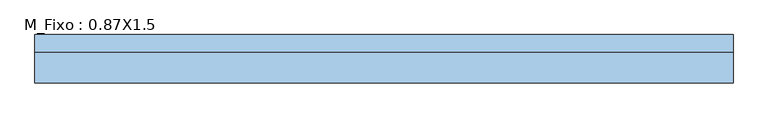
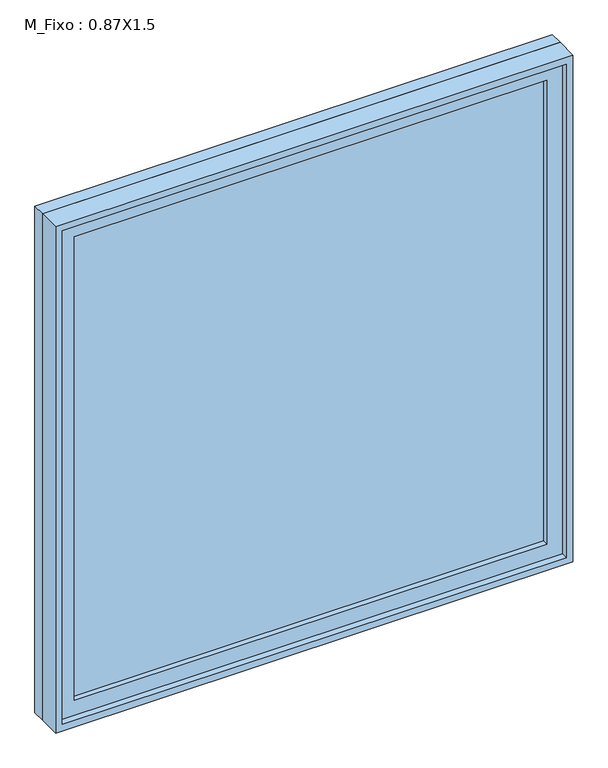
"""IFC4 building model written with IfcOpenShell, lengths in millimetres: window geometry, M_Fixo : 0.87X1.5."""

from ifc_helpers import new_model, si_unit, frame, origin, place, context, project, spatial, polyline, outline, extrude, source, transform, mapped, element, save


def m_fixo_0_87x1_5_dbd5f713(model_context):
    return source(origin(), model_context, "Body", "SweptSolid", [
        extrude(outline(polyline([(-662.0, -28.0), (-662.0, -16.0), (662.0, -16.0), (662.0, -28.0), (-662.0, -28.0)])), frame((0.0, 0.0, 1063.0), z_axis=(0.0, 0.0, 1.0), x_axis=(1.0, 0.0, 0.0)), (0.0, 0.0, 1.0), 1374.0),
        extrude(outline(polyline([(2481.0, -706.0), (1019.0, -706.0), (1019.0, 706.0), (2481.0, 706.0), (2481.0, -706.0)]), holes=[polyline([(2437.0, -662.0), (2437.0, 662.0), (1063.0, 662.0), (1063.0, -662.0), (2437.0, -662.0)])]), frame((0.0, -44.0, 0.0), z_axis=(0.0, 1.0, 0.0), x_axis=(0.0, 0.0, 1.0)), (0.0, 0.0, 1.0), 44.0),
        extrude(outline(polyline([(2500.0, -725.0), (1000.0, -725.0), (1000.0, 725.0), (2500.0, 725.0), (2500.0, -725.0)]), holes=[polyline([(2481.0, -706.0), (2481.0, 706.0), (1019.0, 706.0), (1019.0, -706.0), (2481.0, -706.0)])]), frame((0.0, -63.0, 0.0), z_axis=(0.0, 1.0, 0.0), x_axis=(0.0, 0.0, 1.0)), (0.0, 0.0, 1.0), 63.0),
        extrude(outline(polyline([(2500.0, -725.0), (1000.0, -725.0), (1000.0, 725.0), (2500.0, 725.0), (2500.0, -725.0)]), holes=[polyline([(2468.0, -693.0), (2468.0, 693.0), (1032.0, 693.0), (1032.0, -693.0), (2468.0, -693.0)])]), frame((0.0, 0.0, 0.0), z_axis=(0.0, 1.0, 0.0), x_axis=(0.0, 0.0, 1.0)), (0.0, 0.0, 1.0), 37.0),
    ])


if __name__ == "__main__":
    model = new_model("IFC4")
    model_context = context("Model", 3, world=origin())
    ifc_project = project(units=[si_unit("LENGTHUNIT", "METRE", prefix="MILLI")], contexts=[model_context])
    site = spatial("IfcSite", under=ifc_project)
    building = spatial("IfcBuilding", under=site)
    placement = place(None, origin())
    m_fixo_0_87x1_5_shape = m_fixo_0_87x1_5_dbd5f713(model_context)
    element("IfcWindow", 1, ObjectType="M_Fixo : 0.87X1.5", at=placement, inside=building, context=model_context, shape_type="MappedRepresentation", body=[
        mapped(m_fixo_0_87x1_5_shape, transform((0.0, 0.0, 0.0), x_axis=(1.0, 0.0, 0.0), y_axis=(0.0, 1.0, 0.0), z_axis=(0.0, 0.0, 1.0))),
    ])
    save(model, "model.ifc")
